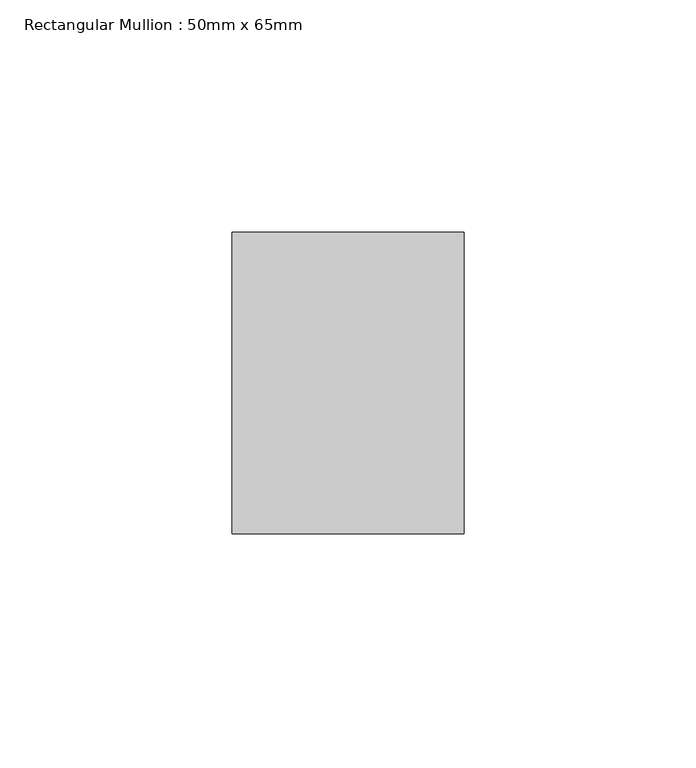
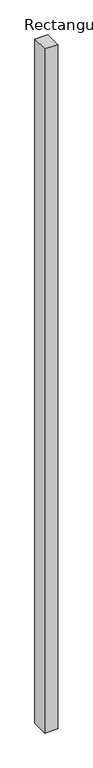
"""IFC4 building model written with IfcOpenShell, lengths in millimetres: member geometry, Rectangular Mullion : 50mm x 65mm."""

from ifc_helpers import new_model, si_unit, frame, origin, place, context, project, spatial, polyline, outline, extrude, source, transform, mapped, element, save


def rectangular_mullion_50mm_x_65mm_b1da083b(model_context):
    return source(origin(), model_context, "Body", "SweptSolid", [
        extrude(outline(polyline([(25.0, 32.5), (25.0, -32.5), (-25.0, -32.5), (-25.0, 32.5), (25.0, 32.5)])), frame((0.0, 0.0, -2773.8908108), z_axis=(0.0, 0.0, 1.0), x_axis=(1.0, 0.0, 0.0)), (0.0, 0.0, 1.0), 2773.8908108),
    ])


if __name__ == "__main__":
    model = new_model("IFC4")
    model_context = context("Model", 3, world=origin())
    ifc_project = project(units=[si_unit("LENGTHUNIT", "METRE", prefix="MILLI")], contexts=[model_context])
    site = spatial("IfcSite", under=ifc_project)
    building = spatial("IfcBuilding", under=site)
    placement = place(None, origin())
    rectangular_mullion_50mm_x_65mm_shape = rectangular_mullion_50mm_x_65mm_b1da083b(model_context)
    element("IfcMember", 1, ObjectType="Rectangular Mullion : 50mm x 65mm", at=placement, inside=building, context=model_context, shape_type="MappedRepresentation", body=[
        mapped(rectangular_mullion_50mm_x_65mm_shape, transform((0.0, 0.0, 0.0), x_axis=(1.0, 0.0, 0.0), y_axis=(0.0, 1.0, 0.0), z_axis=(0.0, 0.0, 1.0))),
    ])
    save(model, "model.ifc")
